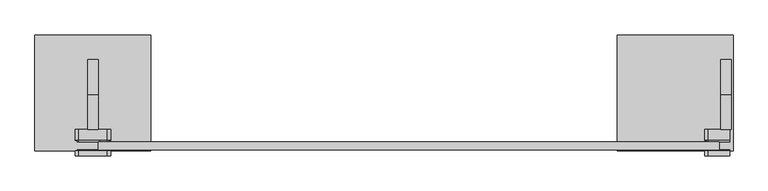
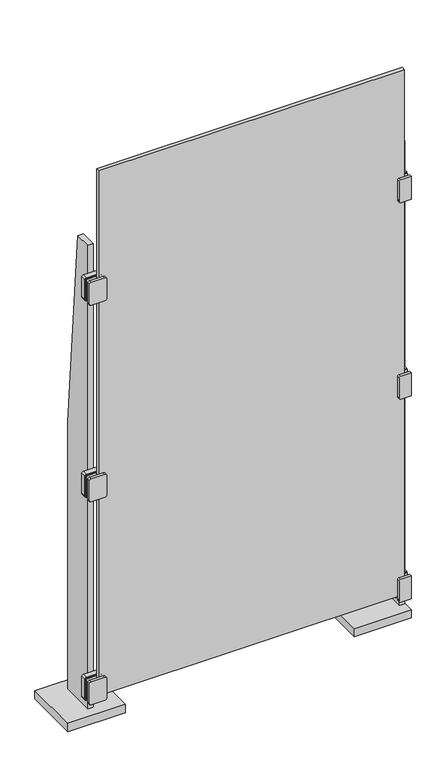
"""IFC4 building model written with IfcOpenShell, lengths in millimetres: plate geometry."""

from ifc_helpers import new_model, si_unit, point, frame, frame_2d, origin, origin_with_axes, place, context, project, spatial, polyline, circle_curve, trimmed, segment, composite_curve, outline, extrude, source, transform, mapped, element, save


def plate_35b26816(model_context):
    return source(origin(), model_context, "Body", "SweptSolid", [
        extrude(outline(composite_curve([segment(polyline([(168.275, -558.7999998), (168.275, -596.8999998)]), True, "CONTINUOUS"), segment(trimmed(circle_curve(frame_2d((165.1, -596.8999998)), 3.175), [point((168.275, -596.8999998))], [point((165.1, -600.0749998))], False, "CARTESIAN"), True, "CONTINUOUS"), segment(polyline([(165.1, -600.0749998), (88.9, -600.0749998)]), True, "CONTINUOUS"), segment(trimmed(circle_curve(frame_2d((88.9, -596.8999998)), 3.175), [point((88.9, -600.0749998))], [point((85.725, -596.8999998))], False, "CARTESIAN"), True, "CONTINUOUS"), segment(polyline([(85.725, -596.8999998), (85.725, -558.7999998), (85.725, -546.0999998)]), True, "CONTINUOUS"), segment(trimmed(circle_curve(frame_2d((88.9, -546.0999998)), 3.175), [point((85.725, -546.0999998))], [point((88.9, -542.9249998))], False, "CARTESIAN"), True, "CONTINUOUS"), segment(polyline([(88.9, -542.9249998), (165.1, -542.9249998)]), True, "CONTINUOUS"), segment(trimmed(circle_curve(frame_2d((165.1, -546.0999998)), 3.175), [point((165.1, -542.9249998))], [point((168.275, -546.0999998))], False, "CARTESIAN"), True, "CONTINUOUS"), segment(polyline([(168.275, -546.0999998), (168.275, -558.7999998)]), True, "CONTINUOUS")], self_intersect=False)), frame((0.0, -114.3, 0.0), z_axis=(0.0, 1.0, 0.0), x_axis=(0.0, 0.0, 1.0)), (0.0, 0.0, 1.0), 1.5875),
        extrude(outline(composite_curve([segment(polyline([(168.275, -558.7999998), (168.275, -596.8999998)]), True, "CONTINUOUS"), segment(trimmed(circle_curve(frame_2d((165.1, -596.8999998)), 3.175), [point((168.275, -596.8999998))], [point((165.1, -600.0749998))], False, "CARTESIAN"), True, "CONTINUOUS"), segment(polyline([(165.1, -600.0749998), (88.9, -600.0749998)]), True, "CONTINUOUS"), segment(trimmed(circle_curve(frame_2d((88.9, -596.8999998)), 3.175), [point((88.9, -600.0749998))], [point((85.725, -596.8999998))], False, "CARTESIAN"), True, "CONTINUOUS"), segment(polyline([(85.725, -596.8999998), (85.725, -558.7999998), (85.725, -546.0999998)]), True, "CONTINUOUS"), segment(trimmed(circle_curve(frame_2d((88.9, -546.0999998)), 3.175), [point((85.725, -546.0999998))], [point((88.9, -542.9249998))], False, "CARTESIAN"), True, "CONTINUOUS"), segment(polyline([(88.9, -542.9249998), (165.1, -542.9249998)]), True, "CONTINUOUS"), segment(trimmed(circle_curve(frame_2d((165.1, -546.0999998)), 3.175), [point((165.1, -542.9249998))], [point((168.275, -546.0999998))], False, "CARTESIAN"), True, "CONTINUOUS"), segment(polyline([(168.275, -546.0999998), (168.275, -558.7999998)]), True, "CONTINUOUS")], self_intersect=False)), frame((0.0, -98.425, 0.0), z_axis=(0.0, 1.0, 0.0), x_axis=(0.0, 0.0, 1.0)), (0.0, 0.0, 1.0), 3.175),
        extrude(outline(composite_curve([segment(polyline([(165.1, -603.2499998), (88.9, -603.2499998)]), True, "CONTINUOUS"), segment(trimmed(circle_curve(frame_2d((88.9, -596.8999998)), 6.35), [point((88.9, -603.2499998))], [point((82.55, -596.8999998))], False, "CARTESIAN"), True, "CONTINUOUS"), segment(polyline([(82.55, -596.8999998), (82.55, -546.0999998)]), True, "CONTINUOUS"), segment(trimmed(circle_curve(frame_2d((88.9, -546.0999998)), 6.35), [point((82.55, -546.0999998))], [point((88.9, -539.7499998))], False, "CARTESIAN"), True, "CONTINUOUS"), segment(polyline([(88.9, -539.7499998), (165.1, -539.7499998)]), True, "CONTINUOUS"), segment(trimmed(circle_curve(frame_2d((165.1, -546.0999998)), 6.35), [point((165.1, -539.7499998))], [point((171.45, -546.0999998))], False, "CARTESIAN"), True, "CONTINUOUS"), segment(polyline([(171.45, -546.0999998), (171.45, -596.8999998)]), True, "CONTINUOUS"), segment(trimmed(circle_curve(frame_2d((165.1, -596.8999998)), 6.35), [point((171.45, -596.8999998))], [point((165.1, -603.2499998))], False, "CARTESIAN"), True, "CONTINUOUS")], self_intersect=False)), frame((0.0, -123.825, 0.0), z_axis=(0.0, 1.0, 0.0), x_axis=(0.0, 0.0, 1.0)), (0.0, 0.0, 1.0), 9.525),
        extrude(outline(composite_curve([segment(polyline([(165.1, -603.2499998), (88.9, -603.2499998)]), True, "CONTINUOUS"), segment(trimmed(circle_curve(frame_2d((88.9, -596.8999998)), 6.35), [point((88.9, -603.2499998))], [point((82.55, -596.8999998))], False, "CARTESIAN"), True, "CONTINUOUS"), segment(polyline([(82.55, -596.8999998), (82.55, -546.0999998)]), True, "CONTINUOUS"), segment(trimmed(circle_curve(frame_2d((88.9, -546.0999998)), 6.35), [point((82.55, -546.0999998))], [point((88.9, -539.7499998))], False, "CARTESIAN"), True, "CONTINUOUS"), segment(polyline([(88.9, -539.7499998), (165.1, -539.7499998)]), True, "CONTINUOUS"), segment(trimmed(circle_curve(frame_2d((165.1, -546.0999998)), 6.35), [point((165.1, -539.7499998))], [point((171.45, -546.0999998))], False, "CARTESIAN"), True, "CONTINUOUS"), segment(polyline([(171.45, -546.0999998), (171.45, -596.8999998)]), True, "CONTINUOUS"), segment(trimmed(circle_curve(frame_2d((165.1, -596.8999998)), 6.35), [point((171.45, -596.8999998))], [point((165.1, -603.2499998))], False, "CARTESIAN"), True, "CONTINUOUS")], self_intersect=False)), frame((0.0, -95.25, 0.0), z_axis=(0.0, 1.0, 0.0), x_axis=(0.0, 0.0, 1.0)), (0.0, 0.0, 1.0), 19.05),
        extrude(outline(composite_curve([segment(polyline([(1717.675, -558.7999998), (1717.675, -596.8999998)]), True, "CONTINUOUS"), segment(trimmed(circle_curve(frame_2d((1714.5, -596.8999998)), 3.175), [point((1717.675, -596.8999998))], [point((1714.5, -600.0749998))], False, "CARTESIAN"), True, "CONTINUOUS"), segment(polyline([(1714.5, -600.0749998), (1638.3, -600.0749998)]), True, "CONTINUOUS"), segment(trimmed(circle_curve(frame_2d((1638.3, -596.8999998)), 3.175), [point((1638.3, -600.0749998))], [point((1635.125, -596.8999998))], False, "CARTESIAN"), True, "CONTINUOUS"), segment(polyline([(1635.125, -596.8999998), (1635.125, -558.7999998), (1635.125, -546.0999998)]), True, "CONTINUOUS"), segment(trimmed(circle_curve(frame_2d((1638.3, -546.0999998)), 3.175), [point((1635.125, -546.0999998))], [point((1638.3, -542.9249998))], False, "CARTESIAN"), True, "CONTINUOUS"), segment(polyline([(1638.3, -542.9249998), (1714.5, -542.9249998)]), True, "CONTINUOUS"), segment(trimmed(circle_curve(frame_2d((1714.5, -546.0999998)), 3.175), [point((1714.5, -542.9249998))], [point((1717.675, -546.0999998))], False, "CARTESIAN"), True, "CONTINUOUS"), segment(polyline([(1717.675, -546.0999998), (1717.675, -558.7999998)]), True, "CONTINUOUS")], self_intersect=False)), frame((0.0, -114.3, 0.0), z_axis=(0.0, 1.0, 0.0), x_axis=(0.0, 0.0, 1.0)), (0.0, 0.0, 1.0), 1.5875),
        extrude(outline(composite_curve([segment(polyline([(1717.675, -558.7999998), (1717.675, -596.8999998)]), True, "CONTINUOUS"), segment(trimmed(circle_curve(frame_2d((1714.5, -596.8999998)), 3.175), [point((1717.675, -596.8999998))], [point((1714.5, -600.0749998))], False, "CARTESIAN"), True, "CONTINUOUS"), segment(polyline([(1714.5, -600.0749998), (1638.3, -600.0749998)]), True, "CONTINUOUS"), segment(trimmed(circle_curve(frame_2d((1638.3, -596.8999998)), 3.175), [point((1638.3, -600.0749998))], [point((1635.125, -596.8999998))], False, "CARTESIAN"), True, "CONTINUOUS"), segment(polyline([(1635.125, -596.8999998), (1635.125, -558.7999998), (1635.125, -546.0999998)]), True, "CONTINUOUS"), segment(trimmed(circle_curve(frame_2d((1638.3, -546.0999998)), 3.175), [point((1635.125, -546.0999998))], [point((1638.3, -542.9249998))], False, "CARTESIAN"), True, "CONTINUOUS"), segment(polyline([(1638.3, -542.9249998), (1714.5, -542.9249998)]), True, "CONTINUOUS"), segment(trimmed(circle_curve(frame_2d((1714.5, -546.0999998)), 3.175), [point((1714.5, -542.9249998))], [point((1717.675, -546.0999998))], False, "CARTESIAN"), True, "CONTINUOUS"), segment(polyline([(1717.675, -546.0999998), (1717.675, -558.7999998)]), True, "CONTINUOUS")], self_intersect=False)), frame((0.0, -98.425, 0.0), z_axis=(0.0, 1.0, 0.0), x_axis=(0.0, 0.0, 1.0)), (0.0, 0.0, 1.0), 3.175),
        extrude(outline(composite_curve([segment(polyline([(1714.5, -603.2499998), (1638.3, -603.2499998)]), True, "CONTINUOUS"), segment(trimmed(circle_curve(frame_2d((1638.3, -596.8999998)), 6.35), [point((1638.3, -603.2499998))], [point((1631.95, -596.8999998))], False, "CARTESIAN"), True, "CONTINUOUS"), segment(polyline([(1631.95, -596.8999998), (1631.95, -546.0999998)]), True, "CONTINUOUS"), segment(trimmed(circle_curve(frame_2d((1638.3, -546.0999998)), 6.35), [point((1631.95, -546.0999998))], [point((1638.3, -539.7499998))], False, "CARTESIAN"), True, "CONTINUOUS"), segment(polyline([(1638.3, -539.7499998), (1714.5, -539.7499998)]), True, "CONTINUOUS"), segment(trimmed(circle_curve(frame_2d((1714.5, -546.0999998)), 6.35), [point((1714.5, -539.7499998))], [point((1720.85, -546.0999998))], False, "CARTESIAN"), True, "CONTINUOUS"), segment(polyline([(1720.85, -546.0999998), (1720.85, -596.8999998)]), True, "CONTINUOUS"), segment(trimmed(circle_curve(frame_2d((1714.5, -596.8999998)), 6.35), [point((1720.85, -596.8999998))], [point((1714.5, -603.2499998))], False, "CARTESIAN"), True, "CONTINUOUS")], self_intersect=False)), frame((0.0, -123.825, 0.0), z_axis=(0.0, 1.0, 0.0), x_axis=(0.0, 0.0, 1.0)), (0.0, 0.0, 1.0), 9.525),
        extrude(outline(composite_curve([segment(polyline([(1714.5, -603.2499998), (1638.3, -603.2499998)]), True, "CONTINUOUS"), segment(trimmed(circle_curve(frame_2d((1638.3, -596.8999998)), 6.35), [point((1638.3, -603.2499998))], [point((1631.95, -596.8999998))], False, "CARTESIAN"), True, "CONTINUOUS"), segment(polyline([(1631.95, -596.8999998), (1631.95, -546.0999998)]), True, "CONTINUOUS"), segment(trimmed(circle_curve(frame_2d((1638.3, -546.0999998)), 6.35), [point((1631.95, -546.0999998))], [point((1638.3, -539.7499998))], False, "CARTESIAN"), True, "CONTINUOUS"), segment(polyline([(1638.3, -539.7499998), (1714.5, -539.7499998)]), True, "CONTINUOUS"), segment(trimmed(circle_curve(frame_2d((1714.5, -546.0999998)), 6.35), [point((1714.5, -539.7499998))], [point((1720.85, -546.0999998))], False, "CARTESIAN"), True, "CONTINUOUS"), segment(polyline([(1720.85, -546.0999998), (1720.85, -596.8999998)]), True, "CONTINUOUS"), segment(trimmed(circle_curve(frame_2d((1714.5, -596.8999998)), 6.35), [point((1720.85, -596.8999998))], [point((1714.5, -603.2499998))], False, "CARTESIAN"), True, "CONTINUOUS")], self_intersect=False)), frame((0.0, -95.25, 0.0), z_axis=(0.0, 1.0, 0.0), x_axis=(0.0, 0.0, 1.0)), (0.0, 0.0, 1.0), 19.05),
        extrude(outline(composite_curve([segment(polyline([(955.675, -558.7999998), (955.675, -596.8999998)]), True, "CONTINUOUS"), segment(trimmed(circle_curve(frame_2d((952.5, -596.8999998)), 3.175), [point((955.675, -596.8999998))], [point((952.5, -600.0749998))], False, "CARTESIAN"), True, "CONTINUOUS"), segment(polyline([(952.5, -600.0749998), (876.3, -600.0749998)]), True, "CONTINUOUS"), segment(trimmed(circle_curve(frame_2d((876.3, -596.8999998)), 3.175), [point((876.3, -600.0749998))], [point((873.125, -596.8999998))], False, "CARTESIAN"), True, "CONTINUOUS"), segment(polyline([(873.125, -596.8999998), (873.125, -558.7999998), (873.125, -546.0999998)]), True, "CONTINUOUS"), segment(trimmed(circle_curve(frame_2d((876.3, -546.0999998)), 3.175), [point((873.125, -546.0999998))], [point((876.3, -542.9249998))], False, "CARTESIAN"), True, "CONTINUOUS"), segment(polyline([(876.3, -542.9249998), (952.5, -542.9249998)]), True, "CONTINUOUS"), segment(trimmed(circle_curve(frame_2d((952.5, -546.0999998)), 3.175), [point((952.5, -542.9249998))], [point((955.675, -546.0999998))], False, "CARTESIAN"), True, "CONTINUOUS"), segment(polyline([(955.675, -546.0999998), (955.675, -558.7999998)]), True, "CONTINUOUS")], self_intersect=False)), frame((0.0, -114.3, 0.0), z_axis=(0.0, 1.0, 0.0), x_axis=(0.0, 0.0, 1.0)), (0.0, 0.0, 1.0), 1.5875),
        extrude(outline(composite_curve([segment(polyline([(955.675, -558.7999998), (955.675, -596.8999998)]), True, "CONTINUOUS"), segment(trimmed(circle_curve(frame_2d((952.5, -596.8999998)), 3.175), [point((955.675, -596.8999998))], [point((952.5, -600.0749998))], False, "CARTESIAN"), True, "CONTINUOUS"), segment(polyline([(952.5, -600.0749998), (876.3, -600.0749998)]), True, "CONTINUOUS"), segment(trimmed(circle_curve(frame_2d((876.3, -596.8999998)), 3.175), [point((876.3, -600.0749998))], [point((873.125, -596.8999998))], False, "CARTESIAN"), True, "CONTINUOUS"), segment(polyline([(873.125, -596.8999998), (873.125, -558.7999998), (873.125, -546.0999998)]), True, "CONTINUOUS"), segment(trimmed(circle_curve(frame_2d((876.3, -546.0999998)), 3.175), [point((873.125, -546.0999998))], [point((876.3, -542.9249998))], False, "CARTESIAN"), True, "CONTINUOUS"), segment(polyline([(876.3, -542.9249998), (952.5, -542.9249998)]), True, "CONTINUOUS"), segment(trimmed(circle_curve(frame_2d((952.5, -546.0999998)), 3.175), [point((952.5, -542.9249998))], [point((955.675, -546.0999998))], False, "CARTESIAN"), True, "CONTINUOUS"), segment(polyline([(955.675, -546.0999998), (955.675, -558.7999998)]), True, "CONTINUOUS")], self_intersect=False)), frame((0.0, -98.425, 0.0), z_axis=(0.0, 1.0, 0.0), x_axis=(0.0, 0.0, 1.0)), (0.0, 0.0, 1.0), 3.175),
        extrude(outline(composite_curve([segment(polyline([(952.5, -603.2499998), (876.3, -603.2499998)]), True, "CONTINUOUS"), segment(trimmed(circle_curve(frame_2d((876.3, -596.8999998)), 6.35), [point((876.3, -603.2499998))], [point((869.95, -596.8999998))], False, "CARTESIAN"), True, "CONTINUOUS"), segment(polyline([(869.95, -596.8999998), (869.95, -546.0999998)]), True, "CONTINUOUS"), segment(trimmed(circle_curve(frame_2d((876.3, -546.0999998)), 6.35), [point((869.95, -546.0999998))], [point((876.3, -539.7499998))], False, "CARTESIAN"), True, "CONTINUOUS"), segment(polyline([(876.3, -539.7499998), (952.5, -539.7499998)]), True, "CONTINUOUS"), segment(trimmed(circle_curve(frame_2d((952.5, -546.0999998)), 6.35), [point((952.5, -539.7499998))], [point((958.85, -546.0999998))], False, "CARTESIAN"), True, "CONTINUOUS"), segment(polyline([(958.85, -546.0999998), (958.85, -596.8999998)]), True, "CONTINUOUS"), segment(trimmed(circle_curve(frame_2d((952.5, -596.8999998)), 6.35), [point((958.85, -596.8999998))], [point((952.5, -603.2499998))], False, "CARTESIAN"), True, "CONTINUOUS")], self_intersect=False)), frame((0.0, -123.825, 0.0), z_axis=(0.0, 1.0, 0.0), x_axis=(0.0, 0.0, 1.0)), (0.0, 0.0, 1.0), 9.525),
        extrude(outline(composite_curve([segment(polyline([(952.5, -603.2499998), (876.3, -603.2499998)]), True, "CONTINUOUS"), segment(trimmed(circle_curve(frame_2d((876.3, -596.8999998)), 6.35), [point((876.3, -603.2499998))], [point((869.95, -596.8999998))], False, "CARTESIAN"), True, "CONTINUOUS"), segment(polyline([(869.95, -596.8999998), (869.95, -546.0999998)]), True, "CONTINUOUS"), segment(trimmed(circle_curve(frame_2d((876.3, -546.0999998)), 6.35), [point((869.95, -546.0999998))], [point((876.3, -539.7499998))], False, "CARTESIAN"), True, "CONTINUOUS"), segment(polyline([(876.3, -539.7499998), (952.5, -539.7499998)]), True, "CONTINUOUS"), segment(trimmed(circle_curve(frame_2d((952.5, -546.0999998)), 6.35), [point((952.5, -539.7499998))], [point((958.85, -546.0999998))], False, "CARTESIAN"), True, "CONTINUOUS"), segment(polyline([(958.85, -546.0999998), (958.85, -596.8999998)]), True, "CONTINUOUS"), segment(trimmed(circle_curve(frame_2d((952.5, -596.8999998)), 6.35), [point((958.85, -596.8999998))], [point((952.5, -603.2499998))], False, "CARTESIAN"), True, "CONTINUOUS")], self_intersect=False)), frame((0.0, -95.25, 0.0), z_axis=(0.0, 1.0, 0.0), x_axis=(0.0, 0.0, 1.0)), (0.0, 0.0, 1.0), 19.05),
        extrude(outline(polyline([(50.8, 1066.8), (50.8, 0.0), (-76.2, 0.0), (-76.2, 1828.8), (-12.7, 1828.8), (50.8, 1066.8)])), frame((-581.0249998, 0.0, 0.0), z_axis=(1.0, 0.0, 0.0), x_axis=(0.0, 1.0, 0.0)), (0.0, 0.0, 1.0), 19.05),
        extrude(outline(polyline([(-466.7249998, 95.25), (-466.7249998, -114.3), (-676.2749998, -114.3), (-676.2749998, 95.25), (-466.7249998, 95.25)])), origin_with_axes(), (0.0, 0.0, 1.0), 31.75),
        extrude(outline(composite_curve([segment(polyline([(168.275, 577.8499998), (168.275, 539.7499998)]), True, "CONTINUOUS"), segment(trimmed(circle_curve(frame_2d((165.1, 539.7499998)), 3.175), [point((168.275, 539.7499998))], [point((165.1, 536.5749998))], False, "CARTESIAN"), True, "CONTINUOUS"), segment(polyline([(165.1, 536.5749998), (88.9, 536.5749998)]), True, "CONTINUOUS"), segment(trimmed(circle_curve(frame_2d((88.9, 539.7499998)), 3.175), [point((88.9, 536.5749998))], [point((85.725, 539.7499998))], False, "CARTESIAN"), True, "CONTINUOUS"), segment(polyline([(85.725, 539.7499998), (85.725, 577.8499998), (168.275, 577.8499998)]), True, "CONTINUOUS")], self_intersect=False)), frame((0.0, -114.3, 0.0), z_axis=(0.0, 1.0, 0.0), x_axis=(0.0, 0.0, 1.0)), (0.0, 0.0, 1.0), 1.5875),
        extrude(outline(composite_curve([segment(polyline([(168.275, 577.8499998), (168.275, 539.7499998)]), True, "CONTINUOUS"), segment(trimmed(circle_curve(frame_2d((165.1, 539.7499998)), 3.175), [point((168.275, 539.7499998))], [point((165.1, 536.5749998))], False, "CARTESIAN"), True, "CONTINUOUS"), segment(polyline([(165.1, 536.5749998), (88.9, 536.5749998)]), True, "CONTINUOUS"), segment(trimmed(circle_curve(frame_2d((88.9, 539.7499998)), 3.175), [point((88.9, 536.5749998))], [point((85.725, 539.7499998))], False, "CARTESIAN"), True, "CONTINUOUS"), segment(polyline([(85.725, 539.7499998), (85.725, 577.8499998), (168.275, 577.8499998)]), True, "CONTINUOUS")], self_intersect=False)), frame((0.0, -98.425, 0.0), z_axis=(0.0, 1.0, 0.0), x_axis=(0.0, 0.0, 1.0)), (0.0, 0.0, 1.0), 3.175),
        extrude(outline(composite_curve([segment(polyline([(165.1, 533.3999998), (88.9, 533.3999998)]), True, "CONTINUOUS"), segment(trimmed(circle_curve(frame_2d((88.9, 539.7499998)), 6.35), [point((88.9, 533.3999998))], [point((82.55, 539.7499998))], False, "CARTESIAN"), True, "CONTINUOUS"), segment(polyline([(82.55, 539.7499998), (82.55, 577.8499998), (171.45, 577.8499998), (171.45, 539.7499998)]), True, "CONTINUOUS"), segment(trimmed(circle_curve(frame_2d((165.1, 539.7499998)), 6.35), [point((171.45, 539.7499998))], [point((165.1, 533.3999998))], False, "CARTESIAN"), True, "CONTINUOUS")], self_intersect=False)), frame((0.0, -123.825, 0.0), z_axis=(0.0, 1.0, 0.0), x_axis=(0.0, 0.0, 1.0)), (0.0, 0.0, 1.0), 9.525),
        extrude(outline(composite_curve([segment(polyline([(165.1, 533.3999998), (88.9, 533.3999998)]), True, "CONTINUOUS"), segment(trimmed(circle_curve(frame_2d((88.9, 539.7499998)), 6.35), [point((88.9, 533.3999998))], [point((82.55, 539.7499998))], False, "CARTESIAN"), True, "CONTINUOUS"), segment(polyline([(82.55, 539.7499998), (82.55, 577.8499998), (171.45, 577.8499998), (171.45, 539.7499998)]), True, "CONTINUOUS"), segment(trimmed(circle_curve(frame_2d((165.1, 539.7499998)), 6.35), [point((171.45, 539.7499998))], [point((165.1, 533.3999998))], False, "CARTESIAN"), True, "CONTINUOUS")], self_intersect=False)), frame((0.0, -95.25, 0.0), z_axis=(0.0, 1.0, 0.0), x_axis=(0.0, 0.0, 1.0)), (0.0, 0.0, 1.0), 19.05),
        extrude(outline(polyline([(374.6499998, 95.25), (584.1999998, 95.25), (584.1999998, -114.3), (374.6499998, -114.3), (374.6499998, 95.25)])), origin_with_axes(), (0.0, 0.0, 1.0), 31.75),
        extrude(outline(composite_curve([segment(polyline([(1717.675, 577.8499998), (1717.675, 539.7499998)]), True, "CONTINUOUS"), segment(trimmed(circle_curve(frame_2d((1714.5, 539.7499998)), 3.175), [point((1717.675, 539.7499998))], [point((1714.5, 536.5749998))], False, "CARTESIAN"), True, "CONTINUOUS"), segment(polyline([(1714.5, 536.5749998), (1638.3, 536.5749998)]), True, "CONTINUOUS"), segment(trimmed(circle_curve(frame_2d((1638.3, 539.7499998)), 3.175), [point((1638.3, 536.5749998))], [point((1635.125, 539.7499998))], False, "CARTESIAN"), True, "CONTINUOUS"), segment(polyline([(1635.125, 539.7499998), (1635.125, 577.8499998), (1717.675, 577.8499998)]), True, "CONTINUOUS")], self_intersect=False)), frame((0.0, -114.3, 0.0), z_axis=(0.0, 1.0, 0.0), x_axis=(0.0, 0.0, 1.0)), (0.0, 0.0, 1.0), 1.5875),
        extrude(outline(composite_curve([segment(polyline([(1717.675, 577.8499998), (1717.675, 539.7499998)]), True, "CONTINUOUS"), segment(trimmed(circle_curve(frame_2d((1714.5, 539.7499998)), 3.175), [point((1717.675, 539.7499998))], [point((1714.5, 536.5749998))], False, "CARTESIAN"), True, "CONTINUOUS"), segment(polyline([(1714.5, 536.5749998), (1638.3, 536.5749998)]), True, "CONTINUOUS"), segment(trimmed(circle_curve(frame_2d((1638.3, 539.7499998)), 3.175), [point((1638.3, 536.5749998))], [point((1635.125, 539.7499998))], False, "CARTESIAN"), True, "CONTINUOUS"), segment(polyline([(1635.125, 539.7499998), (1635.125, 577.8499998), (1717.675, 577.8499998)]), True, "CONTINUOUS")], self_intersect=False)), frame((0.0, -98.425, 0.0), z_axis=(0.0, 1.0, 0.0), x_axis=(0.0, 0.0, 1.0)), (0.0, 0.0, 1.0), 3.175),
        extrude(outline(composite_curve([segment(polyline([(1714.5, 533.3999998), (1638.3, 533.3999998)]), True, "CONTINUOUS"), segment(trimmed(circle_curve(frame_2d((1638.3, 539.7499998)), 6.35), [point((1638.3, 533.3999998))], [point((1631.95, 539.7499998))], False, "CARTESIAN"), True, "CONTINUOUS"), segment(polyline([(1631.95, 539.7499998), (1631.95, 577.8499998), (1720.85, 577.8499998), (1720.85, 539.7499998)]), True, "CONTINUOUS"), segment(trimmed(circle_curve(frame_2d((1714.5, 539.7499998)), 6.35), [point((1720.85, 539.7499998))], [point((1714.5, 533.3999998))], False, "CARTESIAN"), True, "CONTINUOUS")], self_intersect=False)), frame((0.0, -123.825, 0.0), z_axis=(0.0, 1.0, 0.0), x_axis=(0.0, 0.0, 1.0)), (0.0, 0.0, 1.0), 9.525),
        extrude(outline(composite_curve([segment(polyline([(1714.5, 533.3999998), (1638.3, 533.3999998)]), True, "CONTINUOUS"), segment(trimmed(circle_curve(frame_2d((1638.3, 539.7499998)), 6.35), [point((1638.3, 533.3999998))], [point((1631.95, 539.7499998))], False, "CARTESIAN"), True, "CONTINUOUS"), segment(polyline([(1631.95, 539.7499998), (1631.95, 577.8499998), (1720.85, 577.8499998), (1720.85, 539.7499998)]), True, "CONTINUOUS"), segment(trimmed(circle_curve(frame_2d((1714.5, 539.7499998)), 6.35), [point((1720.85, 539.7499998))], [point((1714.5, 533.3999998))], False, "CARTESIAN"), True, "CONTINUOUS")], self_intersect=False)), frame((0.0, -95.25, 0.0), z_axis=(0.0, 1.0, 0.0), x_axis=(0.0, 0.0, 1.0)), (0.0, 0.0, 1.0), 19.05),
        extrude(outline(composite_curve([segment(polyline([(955.675, 577.8499998), (955.675, 539.7499998)]), True, "CONTINUOUS"), segment(trimmed(circle_curve(frame_2d((952.5, 539.7499998)), 3.175), [point((955.675, 539.7499998))], [point((952.5, 536.5749998))], False, "CARTESIAN"), True, "CONTINUOUS"), segment(polyline([(952.5, 536.5749998), (876.3, 536.5749998)]), True, "CONTINUOUS"), segment(trimmed(circle_curve(frame_2d((876.3, 539.7499998)), 3.175), [point((876.3, 536.5749998))], [point((873.125, 539.7499998))], False, "CARTESIAN"), True, "CONTINUOUS"), segment(polyline([(873.125, 539.7499998), (873.125, 577.8499998), (955.675, 577.8499998)]), True, "CONTINUOUS")], self_intersect=False)), frame((0.0, -114.3, 0.0), z_axis=(0.0, 1.0, 0.0), x_axis=(0.0, 0.0, 1.0)), (0.0, 0.0, 1.0), 1.5875),
        extrude(outline(composite_curve([segment(polyline([(955.675, 577.8499998), (955.675, 539.7499998)]), True, "CONTINUOUS"), segment(trimmed(circle_curve(frame_2d((952.5, 539.7499998)), 3.175), [point((955.675, 539.7499998))], [point((952.5, 536.5749998))], False, "CARTESIAN"), True, "CONTINUOUS"), segment(polyline([(952.5, 536.5749998), (876.3, 536.5749998)]), True, "CONTINUOUS"), segment(trimmed(circle_curve(frame_2d((876.3, 539.7499998)), 3.175), [point((876.3, 536.5749998))], [point((873.125, 539.7499998))], False, "CARTESIAN"), True, "CONTINUOUS"), segment(polyline([(873.125, 539.7499998), (873.125, 577.8499998), (955.675, 577.8499998)]), True, "CONTINUOUS")], self_intersect=False)), frame((0.0, -98.425, 0.0), z_axis=(0.0, 1.0, 0.0), x_axis=(0.0, 0.0, 1.0)), (0.0, 0.0, 1.0), 3.175),
        extrude(outline(composite_curve([segment(polyline([(952.5, 533.3999998), (876.3, 533.3999998)]), True, "CONTINUOUS"), segment(trimmed(circle_curve(frame_2d((876.3, 539.7499998)), 6.35), [point((876.3, 533.3999998))], [point((869.95, 539.7499998))], False, "CARTESIAN"), True, "CONTINUOUS"), segment(polyline([(869.95, 539.7499998), (869.95, 577.8499998), (958.85, 577.8499998), (958.85, 539.7499998)]), True, "CONTINUOUS"), segment(trimmed(circle_curve(frame_2d((952.5, 539.7499998)), 6.35), [point((958.85, 539.7499998))], [point((952.5, 533.3999998))], False, "CARTESIAN"), True, "CONTINUOUS")], self_intersect=False)), frame((0.0, -123.825, 0.0), z_axis=(0.0, 1.0, 0.0), x_axis=(0.0, 0.0, 1.0)), (0.0, 0.0, 1.0), 9.525),
        extrude(outline(composite_curve([segment(polyline([(952.5, 533.3999998), (876.3, 533.3999998)]), True, "CONTINUOUS"), segment(trimmed(circle_curve(frame_2d((876.3, 539.7499998)), 6.35), [point((876.3, 533.3999998))], [point((869.95, 539.7499998))], False, "CARTESIAN"), True, "CONTINUOUS"), segment(polyline([(869.95, 539.7499998), (869.95, 577.8499998), (958.85, 577.8499998), (958.85, 539.7499998)]), True, "CONTINUOUS"), segment(trimmed(circle_curve(frame_2d((952.5, 539.7499998)), 6.35), [point((958.85, 539.7499998))], [point((952.5, 533.3999998))], False, "CARTESIAN"), True, "CONTINUOUS")], self_intersect=False)), frame((0.0, -95.25, 0.0), z_axis=(0.0, 1.0, 0.0), x_axis=(0.0, 0.0, 1.0)), (0.0, 0.0, 1.0), 19.05),
        extrude(outline(polyline([(50.8, 1066.8), (50.8, 0.0), (-76.2, 0.0), (-76.2, 1828.8), (-12.7, 1828.8), (50.8, 1066.8)])), frame((561.9749998, 0.0, 0.0), z_axis=(1.0, 0.0, 0.0), x_axis=(0.0, 1.0, 0.0)), (0.0, 0.0, 1.0), 19.05),
        extrude(outline(polyline([(558.7999998, -98.425), (558.7999998, -112.7125), (-561.9749998, -112.7125), (-561.9749998, -98.425), (558.7999998, -98.425)])), frame((0.0, 0.0, 98.425), z_axis=(0.0, 0.0, 1.0), x_axis=(1.0, 0.0, 0.0)), (0.0, 0.0, 1.0), 2035.175),
    ])


if __name__ == "__main__":
    model = new_model("IFC4")
    model_context = context("Model", 3, world=origin())
    ifc_project = project(units=[si_unit("LENGTHUNIT", "METRE", prefix="MILLI")], contexts=[model_context])
    site = spatial("IfcSite", under=ifc_project)
    building = spatial("IfcBuilding", under=site)
    placement = place(None, origin())
    plate_shape = plate_35b26816(model_context)
    element("IfcPlate", 1, at=placement, inside=building, context=model_context, shape_type="MappedRepresentation", body=[
        mapped(plate_shape, transform((0.0, 0.0, 0.0), x_axis=(1.0, 0.0, 0.0), y_axis=(0.0, 1.0, 0.0), z_axis=(0.0, 0.0, 1.0))),
    ])
    save(model, "model.ifc")
